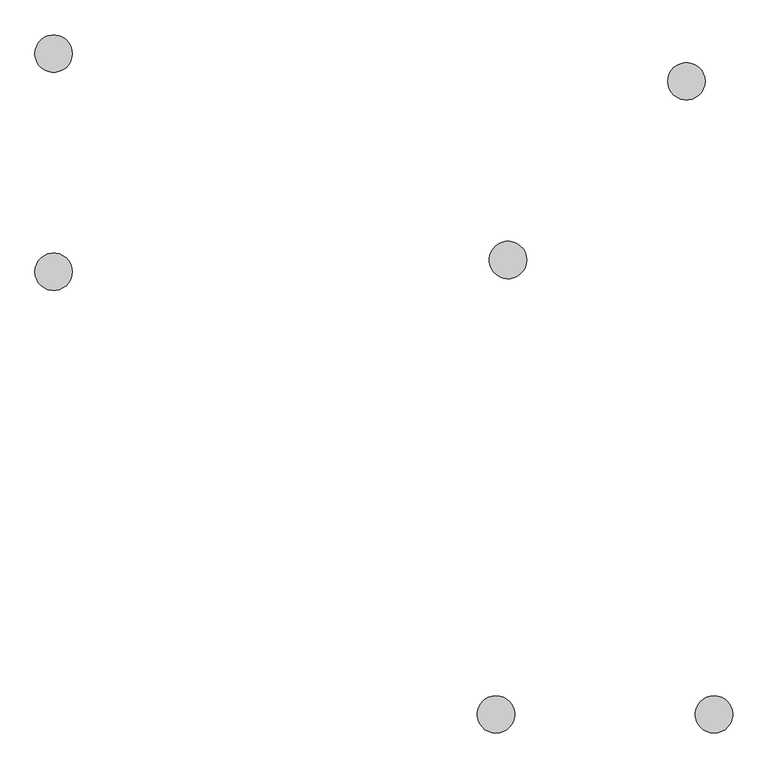
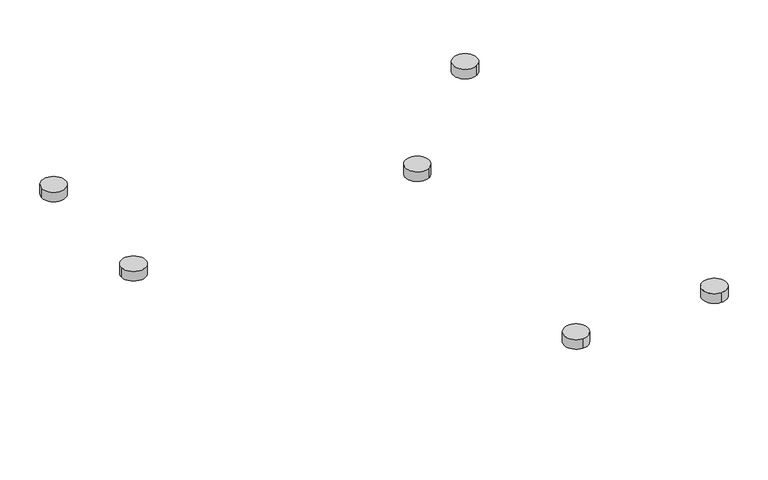
"""IFC4 building model written with IfcOpenShell, lengths in millimetres: furniture geometry."""

import ifcopenshell
import ifcopenshell.guid

model = None  # the IFC model being written
_history = None  # IfcOwnerHistory: only IFC2X3 demands one
_inside = {}  # id of a spatial element -> (the spatial element, [elements in it])
_under = {}  # id of a project, library or spatial element -> (it, [spatial elements below it])
_declared = {}  # id of a project -> (the project, [libraries it declares])
_typed = {}  # id of a type object -> (the type object, [elements of that type])
_made_of = {}  # id of a material, layer set ... -> (it, [elements and type objects made of it])


def new_model(schema):
    """Start an empty IFC model of exactly this schema.

    Asked for "IFC4X3", IfcOpenShell would pick the latest addendum, in which some entities
    have other attributes; the version numbers below select the first issue.
    IFC2X3 requires an IfcOwnerHistory on every rooted entity: one is made here for all.
    """
    global model, _history
    if schema == "IFC4X3":
        model = ifcopenshell.file(schema_version=(4, 3, 0, 0))
    else:
        model = ifcopenshell.file(schema=schema)
    _inside.clear()
    _under.clear()
    _declared.clear()
    _typed.clear()
    _made_of.clear()
    _history = None
    if model.schema == "IFC2X3":
        org = make("IfcOrganization", Name="unknown")
        user = make(
            "IfcPersonAndOrganization",
            ThePerson=make("IfcPerson", FamilyName="unknown"),
            TheOrganization=org,
        )
        app = make(
            "IfcApplication",
            ApplicationDeveloper=org,
            Version="unknown",
            ApplicationFullName="unknown",
            ApplicationIdentifier="unknown",
        )
        _history = make(
            "IfcOwnerHistory",
            OwningUser=user,
            OwningApplication=app,
            ChangeAction="ADDED",
            CreationDate=0,
        )
    return model


def make(cls, **values):
    """One entity of the class cls with the attributes given. An attribute that is None is left unset."""
    return model.create_entity(
        cls, **{name: value for name, value in values.items() if value is not None}
    )


def rooted(cls, **values):
    """An entity with a GlobalId (a new one), such as an element, a storey or a relation."""
    return make(cls, GlobalId=ifcopenshell.guid.new(), OwnerHistory=_history, **values)


def si_unit(unit_type, name, prefix=None):
    """IfcSIUnit, for example si_unit("LENGTHUNIT", "METRE", prefix="MILLI")."""
    return make("IfcSIUnit", UnitType=unit_type, Prefix=prefix, Name=name)


def assignment(units):
    """IfcUnitAssignment: the units of a project."""
    return None if units is None else make("IfcUnitAssignment", Units=units)


def point(xyz):
    """IfcCartesianPoint."""
    return None if xyz is None else make("IfcCartesianPoint", Coordinates=xyz)


def direction(xyz):
    """IfcDirection."""
    return None if xyz is None else make("IfcDirection", DirectionRatios=xyz)


def frame(location, z_axis=None, x_axis=None):
    """IfcAxis2Placement3D, a coordinate frame: its origin and axes. An axis left out is left unset."""
    return make(
        "IfcAxis2Placement3D",
        Location=point(location),
        Axis=direction(z_axis),
        RefDirection=direction(x_axis),
    )


def frame_2d(location, x_axis=None):
    """IfcAxis2Placement2D, a coordinate frame in the plane: its origin and x axis."""
    return make(
        "IfcAxis2Placement2D", Location=point(location), RefDirection=direction(x_axis)
    )


def origin():
    """The frame at (0, 0, 0) with its axes left unset."""
    return frame((0.0, 0.0, 0.0))


def origin_with_axes():
    """The frame at (0, 0, 0) with the z axis (0, 0, 1) and the x axis (1, 0, 0) written out."""
    return frame((0.0, 0.0, 0.0), z_axis=(0.0, 0.0, 1.0), x_axis=(1.0, 0.0, 0.0))


def place(relative_to, where):
    """IfcLocalPlacement: puts the frame where relative to a parent placement (None: the world)."""
    return make(
        "IfcLocalPlacement", PlacementRelTo=relative_to, RelativePlacement=where
    )


def context(
    kind, dimensions, precision=None, world=None, true_north=None, identifier=None
):
    """IfcGeometricRepresentationContext, for example the 3D "Model" context."""
    return make(
        "IfcGeometricRepresentationContext",
        ContextIdentifier=identifier,
        ContextType=kind,
        CoordinateSpaceDimension=dimensions,
        Precision=precision,
        WorldCoordinateSystem=world,
        TrueNorth=true_north,
    )


def project(units=None, contexts=None):
    """IfcProject with its units and contexts."""
    return rooted(
        "IfcProject",
        Name="project",
        RepresentationContexts=contexts,
        UnitsInContext=assignment(units),
    )


def spatial(cls, under=None, at=None, **own):
    """A site, building, storey or space (cls), placed at a placement, below another one or the project."""
    s = rooted(cls, ObjectPlacement=at, **own)
    if under is not None:
        _under.setdefault(under.id(), (under, []))[1].append(s)
    return s


def circle_curve(where, radius):
    """IfcCircle in the frame where."""
    return make("IfcCircle", Position=where, Radius=radius)


def trimmed(basis, trim1, trim2, sense, master):
    """IfcTrimmedCurve: the piece of a basis curve between two trims."""
    return make(
        "IfcTrimmedCurve",
        BasisCurve=basis,
        Trim1=trim1,
        Trim2=trim2,
        SenseAgreement=sense,
        MasterRepresentation=master,
    )


def segment(curve, same_sense, transition):
    """IfcCompositeCurveSegment."""
    return make(
        "IfcCompositeCurveSegment",
        Transition=transition,
        SameSense=same_sense,
        ParentCurve=curve,
    )


def composite_curve(segments, self_intersect=None):
    """IfcCompositeCurve: segments joined end to end."""
    return make("IfcCompositeCurve", Segments=segments, SelfIntersect=self_intersect)


def outline(outer, holes=None, kind="AREA"):
    """IfcArbitraryClosedProfileDef: a profile drawn as a closed curve; with holes, ...WithVoids."""
    if holes is None:
        return make("IfcArbitraryClosedProfileDef", ProfileType=kind, OuterCurve=outer)
    return make(
        "IfcArbitraryProfileDefWithVoids",
        ProfileType=kind,
        OuterCurve=outer,
        InnerCurves=holes,
    )


def extrude(swept, where, along, depth):
    """IfcExtrudedAreaSolid: the profile swept, set in the frame where, extruded along a direction by depth."""
    return make(
        "IfcExtrudedAreaSolid",
        SweptArea=swept,
        Position=where,
        ExtrudedDirection=direction(along),
        Depth=depth,
    )


def shape(context_of_items, identifier, shape_type, items):
    """IfcShapeRepresentation: the items that make up one representation, for example the "Body"."""
    return make(
        "IfcShapeRepresentation",
        ContextOfItems=context_of_items,
        RepresentationIdentifier=identifier,
        RepresentationType=shape_type,
        Items=items,
    )


def source(mapping_origin, context_of_items, identifier, shape_type, items):
    """IfcRepresentationMap: a shape defined once, which mapped items show again and again."""
    return make(
        "IfcRepresentationMap",
        MappingOrigin=mapping_origin,
        MappedRepresentation=shape(context_of_items, identifier, shape_type, items),
    )


def transform(
    local_origin,
    x_axis=None,
    y_axis=None,
    z_axis=None,
    scale=None,
    scale2=None,
    scale3=None,
    uniform=True,
):
    """IfcCartesianTransformationOperator3D, or its non-uniform kind. x_axis, y_axis, z_axis: its Axis1, 2, 3."""
    if uniform:
        return make(
            "IfcCartesianTransformationOperator3D",
            Axis1=direction(x_axis),
            Axis2=direction(y_axis),
            LocalOrigin=point(local_origin),
            Scale=scale,
            Axis3=direction(z_axis),
        )
    return make(
        "IfcCartesianTransformationOperator3DnonUniform",
        Axis1=direction(x_axis),
        Axis2=direction(y_axis),
        LocalOrigin=point(local_origin),
        Scale=scale,
        Axis3=direction(z_axis),
        Scale2=scale2,
        Scale3=scale3,
    )


def mapped(mapping_source, mapping_target):
    """IfcMappedItem: shows the shape of a source again, moved by a transform."""
    return make(
        "IfcMappedItem", MappingSource=mapping_source, MappingTarget=mapping_target
    )


def made_of(thing, what):
    """Note that an element or type object is made of a material, layer set ...; save() writes the relation."""
    if what is not None:
        _made_of.setdefault(what.id(), (what, []))[1].append(thing)
    return thing


def element(
    cls,
    number,
    at=None,
    inside=None,
    cuts=None,
    type_object=None,
    material=None,
    context=None,
    identifier="Body",
    shape_type=None,
    held_by="IfcProductDefinitionShape",
    body=None,
    shapes=None,
    **own,
):
    """One element of the class cls, such as IfcWall. Its Tag is "e" and its number.

    at: its placement. inside: the storey or other place that contains it. cuts: it is an
    opening in that element (IfcRelVoidsElement). A single representation is given by context,
    identifier, shape_type and body (its items); several are given by shapes. held_by: the class
    of the entity that holds the representations. save() writes the other relations.
    """
    e = rooted(cls, Tag="e%d" % number, ObjectPlacement=at, **own)
    if body is not None:
        shapes = [shape(context, identifier, shape_type, body)]
    if shapes is not None:
        e.Representation = make(held_by, Representations=shapes)
    if inside is not None:
        _inside.setdefault(inside.id(), (inside, []))[1].append(e)
    if cuts is not None:
        rooted(
            "IfcRelVoidsElement", RelatingBuildingElement=cuts, RelatedOpeningElement=e
        )
    if type_object is not None:
        _typed.setdefault(type_object.id(), (type_object, []))[1].append(e)
    return made_of(e, material)


def aggregate(whole, parts):
    """IfcRelAggregates: a whole, such as a stair, and the parts it consists of."""
    return rooted("IfcRelAggregates", RelatingObject=whole, RelatedObjects=parts)


def save(model, path):
    """Write the relations noted so far, then the file.

    IfcRelAggregates (storeys below a building ...), IfcRelContainedInSpatialStructure (elements
    in a storey), IfcRelDefinesByType, IfcRelAssociatesMaterial and IfcRelDeclares: one each for
    every whole, place, type object, material and project.
    """
    for whole, parts in _under.values():
        aggregate(whole, parts)
    for where, things in _inside.values():
        rooted(
            "IfcRelContainedInSpatialStructure",
            RelatedElements=things,
            RelatingStructure=where,
        )
    for kind, things in _typed.values():
        rooted("IfcRelDefinesByType", RelatedObjects=things, RelatingType=kind)
    for what, things in _made_of.values():
        rooted("IfcRelAssociatesMaterial", RelatedObjects=things, RelatingMaterial=what)
    for by, libraries in _declared.values():
        rooted("IfcRelDeclares", RelatingContext=by, RelatedDefinitions=libraries)
    model.write(path)


def furniture_087cf475(model_context):
    return source(origin(), model_context, "Body", "SweptSolid", [
        extrude(outline(composite_curve([segment(trimmed(circle_curve(frame_2d((-325.0000012, 272.4334486)), 35.0), [point((-360.0000012, 272.4334486))], [point((-290.0000012, 272.4334486))], False, "CARTESIAN"), True, "CONTINUOUS"), segment(trimmed(circle_curve(frame_2d((-325.0000012, 272.4334486)), 35.0), [point((-290.0000012, 272.4334486))], [point((-360.0000012, 272.4334486))], False, "CARTESIAN"), True, "CONTINUOUS")], self_intersect=False)), origin_with_axes(), (0.0, 0.0, 1.0), 29.9999993),
        extrude(outline(composite_curve([segment(trimmed(circle_curve(frame_2d((-324.9999949, -135.8359372)), 35.0), [point((-359.9999949, -135.8359372))], [point((-289.9999949, -135.8359372))], False, "CARTESIAN"), True, "CONTINUOUS"), segment(trimmed(circle_curve(frame_2d((-324.9999949, -135.8359372)), 35.0), [point((-289.9999949, -135.8359372))], [point((-359.9999949, -135.8359372))], False, "CARTESIAN"), True, "CONTINUOUS")], self_intersect=False)), origin_with_axes(), (0.0, 0.0, 1.0), 29.9999993),
        extrude(outline(composite_curve([segment(trimmed(circle_curve(frame_2d((525.2463402, -113.7623058)), 35.0), [point((542.7463402, -144.0731949))], [point((507.7463402, -83.4514167))], False, "CARTESIAN"), True, "CONTINUOUS"), segment(trimmed(circle_curve(frame_2d((525.2463402, -113.7623058)), 35.0), [point((507.7463402, -83.4514167))], [point((542.7463402, -144.0731949))], False, "CARTESIAN"), True, "CONTINUOUS")], self_intersect=False)), origin_with_axes(), (0.0, 0.0, 1.0), 29.9999993),
        extrude(outline(composite_curve([segment(trimmed(circle_curve(frame_2d((859.2219149, 220.628132)), 35.0), [point((876.7219149, 190.3172429))], [point((841.7219149, 250.9390211))], False, "CARTESIAN"), True, "CONTINUOUS"), segment(trimmed(circle_curve(frame_2d((859.2219149, 220.628132)), 35.0), [point((841.7219149, 250.9390211))], [point((876.7219149, 190.3172429))], False, "CARTESIAN"), True, "CONTINUOUS")], self_intersect=False)), origin_with_axes(), (0.0, 0.0, 1.0), 29.9999993),
        extrude(outline(composite_curve([segment(trimmed(circle_curve(frame_2d((911.0583364, -964.1640042)), 35.0), [point((911.0583364, -929.1640042))], [point((911.0583364, -999.1640042))], False, "CARTESIAN"), True, "CONTINUOUS"), segment(trimmed(circle_curve(frame_2d((911.0583364, -964.1640042)), 35.0), [point((911.0583364, -999.1640042))], [point((911.0583364, -929.1640042))], False, "CARTESIAN"), True, "CONTINUOUS")], self_intersect=False)), origin_with_axes(), (0.0, 0.0, 1.0), 29.9999993),
        extrude(outline(composite_curve([segment(trimmed(circle_curve(frame_2d((502.7889506, -964.1640104)), 35.0), [point((502.7889506, -929.1640104))], [point((502.7889506, -999.1640104))], False, "CARTESIAN"), True, "CONTINUOUS"), segment(trimmed(circle_curve(frame_2d((502.7889506, -964.1640104)), 35.0), [point((502.7889506, -999.1640104))], [point((502.7889506, -929.1640104))], False, "CARTESIAN"), True, "CONTINUOUS")], self_intersect=False)), origin_with_axes(), (0.0, 0.0, 1.0), 29.9999993),
    ])


if __name__ == "__main__":
    model = new_model("IFC4")
    model_context = context("Model", 3, world=origin())
    ifc_project = project(units=[si_unit("LENGTHUNIT", "METRE", prefix="MILLI")], contexts=[model_context])
    site = spatial("IfcSite", under=ifc_project)
    building = spatial("IfcBuilding", under=site)
    placement = place(None, origin())
    furniture_shape = furniture_087cf475(model_context)
    element("IfcFurniture", 1, at=placement, inside=building, context=model_context, shape_type="MappedRepresentation", body=[
        mapped(furniture_shape, transform((0.0, 0.0, 0.0), x_axis=(1.0, 0.0, 0.0), y_axis=(0.0, 1.0, 0.0), z_axis=(0.0, 0.0, 1.0))),
    ])
    save(model, "model.ifc")
